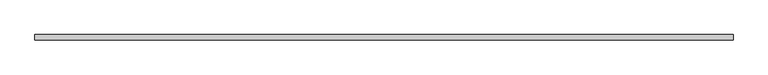
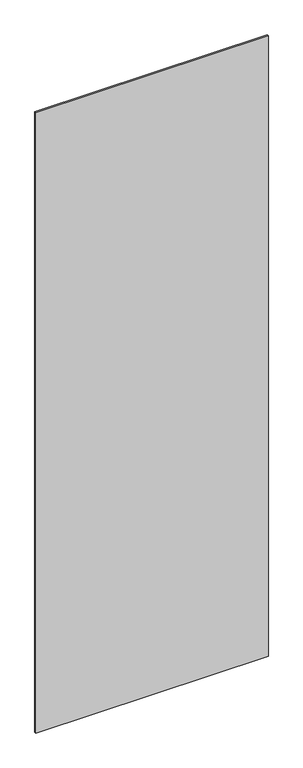
"""IFC4 building model written with IfcOpenShell, lengths in millimetres: plate geometry."""

from ifc_helpers import new_model, si_unit, origin, origin_with_axes, place, context, project, spatial, polyline, outline, extrude, source, transform, mapped, element, save


def plate_8a20ce8c(model_context):
    return source(origin(), model_context, "Body", "SweptSolid", [
        extrude(outline(polyline([(684.7662701, -5.0), (-684.7662701, -5.0), (-684.7662701, 5.0), (684.7662701, 5.0), (684.7662701, -5.0)])), origin_with_axes(), (0.0, 0.0, 1.0), 3860.0),
    ])


if __name__ == "__main__":
    model = new_model("IFC4")
    model_context = context("Model", 3, world=origin())
    ifc_project = project(units=[si_unit("LENGTHUNIT", "METRE", prefix="MILLI")], contexts=[model_context])
    site = spatial("IfcSite", under=ifc_project)
    building = spatial("IfcBuilding", under=site)
    placement = place(None, origin())
    plate_shape = plate_8a20ce8c(model_context)
    element("IfcPlate", 1, at=placement, inside=building, context=model_context, shape_type="MappedRepresentation", body=[
        mapped(plate_shape, transform((0.0, 0.0, 0.0), x_axis=(1.0, 0.0, 0.0), y_axis=(0.0, 1.0, 0.0), z_axis=(0.0, 0.0, 1.0))),
    ])
    save(model, "model.ifc")
